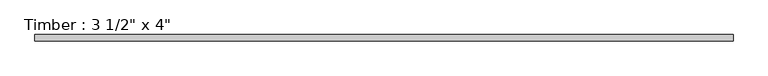
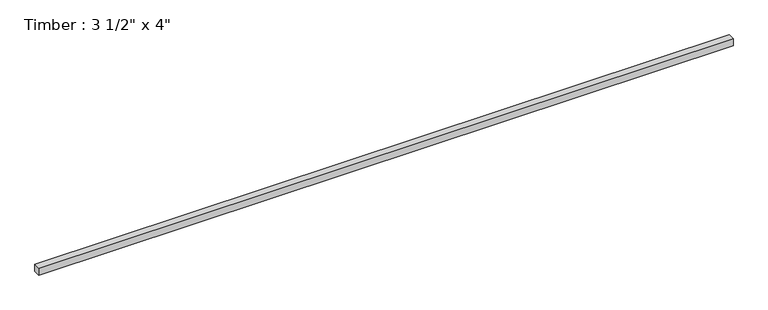
"""IFC4 building model written with IfcOpenShell, lengths in millimetres: beam geometry."""

from ifc_helpers import new_model, si_unit, frame, origin, place, context, project, spatial, polyline, outline, extrude, source, transform, mapped, element, save


def beam_9d5fef5c(model_context):
    return source(origin(), model_context, "Body", "SweptSolid", [
        extrude(outline(polyline([(4810.1889524, 44.45), (4810.1889524, -44.45), (-4810.1889524, -44.45), (-4810.1889524, 44.45), (4810.1889524, 44.45)])), frame((0.0, 0.0, -50.8), z_axis=(0.0, 0.0, 1.0), x_axis=(1.0, 0.0, 0.0)), (0.0, 0.0, 1.0), 101.6),
    ])


if __name__ == "__main__":
    model = new_model("IFC4")
    model_context = context("Model", 3, world=origin())
    ifc_project = project(units=[si_unit("LENGTHUNIT", "METRE", prefix="MILLI")], contexts=[model_context])
    site = spatial("IfcSite", under=ifc_project)
    building = spatial("IfcBuilding", under=site)
    placement = place(None, origin())
    beam_shape = beam_9d5fef5c(model_context)
    element("IfcBeam", 1, ObjectType="Timber : 3 1/2\" x 4\"", at=placement, inside=building, context=model_context, shape_type="MappedRepresentation", body=[
        mapped(beam_shape, transform((0.0, 0.0, 0.0), x_axis=(1.0, 0.0, 0.0), y_axis=(0.0, 1.0, 0.0), z_axis=(0.0, 0.0, 1.0))),
    ])
    save(model, "model.ifc")
